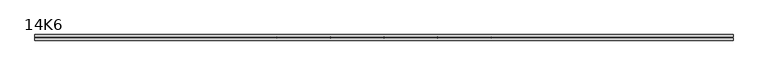
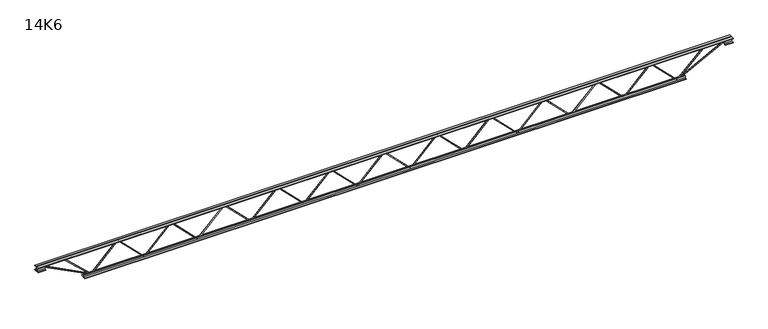
"""IFC4 building model written with IfcOpenShell, lengths in millimetres: beam geometry, 14K6."""

from ifc_helpers import new_model, si_unit, frame, origin, place, context, project, spatial, polyline, outline, extrude, source, transform, mapped, element, save


def beam_14k6_23fe204b(model_context):
    return source(origin(), model_context, "Body", "SweptSolid", [
        extrude(outline(polyline([(-166.9, 2442.0454545), (-176.4, 2442.0454545), (-176.4, 2447.1911602), (166.9, 2789.7047965), (166.9, 2792.1133853), (-176.4, 3134.6270217), (-176.4, 3139.7727273), (-166.9, 3139.7727273), (-166.9, 3138.5684329), (176.4, 2796.0547965), (176.4, 2785.7633853), (-166.9, 2443.2497489), (-166.9, 2442.0454545)])), frame((0.0, -4.75, 0.0), z_axis=(0.0, 1.0, 0.0), x_axis=(0.0, 0.0, 1.0)), (0.0, 0.0, 1.0), 9.5),
        extrude(outline(polyline([(-166.9, 1744.3181818), (-176.4, 1744.3181818), (-176.4, 1749.4638874), (166.9, 2091.9775238), (166.9, 2094.3861126), (-176.4, 2436.8997489), (-176.4, 2442.0454545), (-166.9, 2442.0454545), (-166.9, 2440.8411602), (176.4, 2098.3275238), (176.4, 2088.0361126), (-166.9, 1745.5224762), (-166.9, 1744.3181818)])), frame((0.0, -4.75, 0.0), z_axis=(0.0, 1.0, 0.0), x_axis=(0.0, 0.0, 1.0)), (0.0, 0.0, 1.0), 9.5),
        extrude(outline(polyline([(-166.9, 1046.5909091), (-176.4, 1046.5909091), (-176.4, 1051.7366147), (166.9, 1394.2502511), (166.9, 1396.6588398), (-176.4, 1739.1724762), (-176.4, 1744.3181818), (-166.9, 1744.3181818), (-166.9, 1743.1138874), (176.4, 1400.6002511), (176.4, 1390.3088398), (-166.9, 1047.7952035), (-166.9, 1046.5909091)])), frame((0.0, -4.75, 0.0), z_axis=(0.0, 1.0, 0.0), x_axis=(0.0, 0.0, 1.0)), (0.0, 0.0, 1.0), 9.5),
        extrude(outline(polyline([(-166.9, 348.8636364), (-176.4, 348.8636364), (-176.4, 354.009342), (166.9, 696.5229783), (166.9, 698.9315671), (-176.4, 1041.4452035), (-176.4, 1046.5909091), (-166.9, 1046.5909091), (-166.9, 1045.3866147), (176.4, 702.8729783), (176.4, 692.5815671), (-166.9, 350.0679307), (-166.9, 348.8636364)])), frame((0.0, -4.75, 0.0), z_axis=(0.0, 1.0, 0.0), x_axis=(0.0, 0.0, 1.0)), (0.0, 0.0, 1.0), 9.5),
        extrude(outline(polyline([(-166.9, -348.8636364), (-176.4, -348.8636364), (-176.4, -343.7179307), (166.9, -1.2042944), (166.9, 1.2042944), (-176.4, 343.7179307), (-176.4, 348.8636364), (-166.9, 348.8636364), (-166.9, 347.659342), (176.4, 5.1457056), (176.4, -5.1457056), (-166.9, -347.659342), (-166.9, -348.8636364)])), frame((0.0, -4.75, 0.0), z_axis=(0.0, 1.0, 0.0), x_axis=(0.0, 0.0, 1.0)), (0.0, 0.0, 1.0), 9.5),
        extrude(outline(polyline([(-166.9, -1046.5909091), (-176.4, -1046.5909091), (-176.4, -1041.4452035), (166.9, -698.9315671), (166.9, -696.5229783), (-176.4, -354.009342), (-176.4, -348.8636364), (-166.9, -348.8636364), (-166.9, -350.0679307), (176.4, -692.5815671), (176.4, -702.8729783), (-166.9, -1045.3866147), (-166.9, -1046.5909091)])), frame((0.0, -4.75, 0.0), z_axis=(0.0, 1.0, 0.0), x_axis=(0.0, 0.0, 1.0)), (0.0, 0.0, 1.0), 9.5),
        extrude(outline(polyline([(-166.9, -1744.3181818), (-176.4, -1744.3181818), (-176.4, -1739.1724762), (166.9, -1396.6588398), (166.9, -1394.2502511), (-176.4, -1051.7366147), (-176.4, -1046.5909091), (-166.9, -1046.5909091), (-166.9, -1047.7952035), (176.4, -1390.3088398), (176.4, -1400.6002511), (-166.9, -1743.1138874), (-166.9, -1744.3181818)])), frame((0.0, -4.75, 0.0), z_axis=(0.0, 1.0, 0.0), x_axis=(0.0, 0.0, 1.0)), (0.0, 0.0, 1.0), 9.5),
        extrude(outline(polyline([(-166.9, -2442.0454545), (-176.4, -2442.0454545), (-176.4, -2436.8997489), (166.9, -2094.3861126), (166.9, -2091.9775238), (-176.4, -1749.4638874), (-176.4, -1744.3181818), (-166.9, -1744.3181818), (-166.9, -1745.5224762), (176.4, -2088.0361126), (176.4, -2098.3275238), (-166.9, -2440.8411602), (-166.9, -2442.0454545)])), frame((0.0, -4.75, 0.0), z_axis=(0.0, 1.0, 0.0), x_axis=(0.0, 0.0, 1.0)), (0.0, 0.0, 1.0), 9.5),
        extrude(outline(polyline([(-166.9, -3139.7727273), (-176.4, -3139.7727273), (-176.4, -3134.6270217), (166.9, -2792.1133853), (166.9, -2789.7047965), (-176.4, -2447.1911602), (-176.4, -2442.0454545), (-166.9, -2442.0454545), (-166.9, -2443.2497489), (176.4, -2785.7633853), (176.4, -2796.0547965), (-166.9, -3138.5684329), (-166.9, -3139.7727273)])), frame((0.0, -4.75, 0.0), z_axis=(0.0, 1.0, 0.0), x_axis=(0.0, 0.0, 1.0)), (0.0, 0.0, 1.0), 9.5),
        extrude(outline(polyline([(-166.9, 3139.7727273), (-176.4, 3139.7727273), (-176.4, 3144.9184329), (166.9, 3487.4320693), (166.9, 3489.840658), (-176.4, 3832.3542944), (-176.4, 3837.5), (-166.9, 3837.5), (-166.9, 3836.2957056), (176.4, 3493.7820693), (176.4, 3483.490658), (-166.9, 3140.9770217), (-166.9, 3139.7727273)])), frame((0.0, -4.75, 0.0), z_axis=(0.0, 1.0, 0.0), x_axis=(0.0, 0.0, 1.0)), (0.0, 0.0, 1.0), 9.5),
        extrude(outline(polyline([(-166.9, -3837.5), (-176.4, -3837.5), (-176.4, -3832.3542944), (166.9, -3489.840658), (166.9, -3487.4320693), (-176.4, -3144.9184329), (-176.4, -3139.7727273), (-166.9, -3139.7727273), (-166.9, -3140.9770217), (176.4, -3483.490658), (176.4, -3493.7820693), (-166.9, -3836.2957056), (-166.9, -3837.5)])), frame((0.0, -4.75, 0.0), z_axis=(0.0, 1.0, 0.0), x_axis=(0.0, 0.0, 1.0)), (0.0, 0.0, 1.0), 9.5),
        extrude(outline(polyline([(4.75, 178.0), (36.75, 178.0), (36.75, 171.5), (11.25, 171.5), (11.25, 146.0), (4.75, 146.0), (4.75, 178.0)])), frame((-4549.5, 0.0, 0.0), z_axis=(1.0, 0.0, 0.0), x_axis=(0.0, 1.0, 0.0)), (0.0, 0.0, 1.0), 9099.0),
        extrude(outline(polyline([(-4.75, 178.0), (-4.75, 146.0), (-11.25, 146.0), (-11.25, 171.5), (-36.75, 171.5), (-36.75, 178.0), (-4.75, 178.0)])), frame((-4549.5, 0.0, 0.0), z_axis=(1.0, 0.0, 0.0), x_axis=(0.0, 1.0, 0.0)), (0.0, 0.0, 1.0), 9099.0),
        extrude(outline(polyline([(-4.75, 114.5), (-36.75, 114.5), (-36.75, 121.0), (-11.25, 121.0), (-11.25, 146.0), (-4.75, 146.0), (-4.75, 114.5)])), frame((-4549.5, 0.0, 0.0), z_axis=(1.0, 0.0, 0.0), x_axis=(0.0, 1.0, 0.0)), (0.0, 0.0, 1.0), 100.0),
        extrude(outline(polyline([(36.75, 114.5), (4.75, 114.5), (4.75, 146.0), (11.25, 146.0), (11.25, 121.0), (36.75, 121.0), (36.75, 114.5)])), frame((-4549.5, 0.0, 0.0), z_axis=(1.0, 0.0, 0.0), x_axis=(0.0, 1.0, 0.0)), (0.0, 0.0, 1.0), 100.0),
        extrude(outline(polyline([(4.75, 114.5), (4.75, 146.0), (11.25, 146.0), (11.25, 121.0), (36.75, 121.0), (36.75, 114.5), (4.75, 114.5)])), frame((4449.5, 0.0, 0.0), z_axis=(1.0, 0.0, 0.0), x_axis=(0.0, 1.0, 0.0)), (0.0, 0.0, 1.0), 100.0),
        extrude(outline(polyline([(-4.75, 114.5), (-36.75, 114.5), (-36.75, 121.0), (-11.25, 121.0), (-11.25, 146.0), (-4.75, 146.0), (-4.75, 114.5)])), frame((4449.5, 0.0, 0.0), z_axis=(1.0, 0.0, 0.0), x_axis=(0.0, 1.0, 0.0)), (0.0, 0.0, 1.0), 100.0),
        extrude(outline(polyline([(4.75, -178.0), (4.75, -146.0), (11.25, -146.0), (11.25, -171.5), (36.75, -171.5), (36.75, -178.0), (4.75, -178.0)])), frame((-3937.5, 0.0, 0.0), z_axis=(1.0, 0.0, 0.0), x_axis=(0.0, 1.0, 0.0)), (0.0, 0.0, 1.0), 7875.0),
        extrude(outline(polyline([(-4.75, -178.0), (-36.75, -178.0), (-36.75, -171.5), (-11.25, -171.5), (-11.25, -146.0), (-4.75, -146.0), (-4.75, -178.0)])), frame((-3937.5, 0.0, 0.0), z_axis=(1.0, 0.0, 0.0), x_axis=(0.0, 1.0, 0.0)), (0.0, 0.0, 1.0), 7875.0),
        extrude(outline(polyline([(-175.8659422, -3839.6882256), (-167.4340578, -3835.3117744), (150.75, -4448.3407162), (150.75, -4549.5), (141.25, -4549.5), (141.25, -4450.6592838), (-175.8659422, -3839.6882256)])), frame((0.0, -4.75, 0.0), z_axis=(0.0, 1.0, 0.0), x_axis=(0.0, 0.0, 1.0)), (0.0, 0.0, 1.0), 9.5),
        extrude(outline(polyline([(163.7, -4206.3207792), (154.2, -4206.3207792), (154.2, -4195.4857124), (-175.1311765, -3840.731704), (-168.1688235, -3834.268296), (163.7, -4191.7558461), (163.7, -4206.3207792)])), frame((0.0, -4.75, 0.0), z_axis=(0.0, 1.0, 0.0), x_axis=(0.0, 0.0, 1.0)), (0.0, 0.0, 1.0), 9.5),
        extrude(outline(polyline([(0.0, -9.5), (0.0, 0.0), (689.5255778, 0.0), (689.5255778, -9.5), (0.0, -9.5)])), frame((4451.6882256, -4.75, 141.7840578), z_axis=(-0.4606790671834062, 0.0, 0.8875667845627319), x_axis=(-0.8875667845627319, 0.0, -0.4606790671834062)), (0.0, 0.0, 1.0), 9.5),
        extrude(outline(polyline([(0.0, -9.5), (0.0, 0.0), (499.8983939, 0.0), (499.8983939, -9.5), (0.0, -9.5)])), frame((4204.139935, -4.75, 168.1972081), z_axis=(-0.6867395538148984, 0.0, 0.7269035597836307), x_axis=(-0.7269035597836307, 0.0, -0.6867395538148984)), (0.0, 0.0, 1.0), 9.5),
    ])


if __name__ == "__main__":
    model = new_model("IFC4")
    model_context = context("Model", 3, world=origin())
    ifc_project = project(units=[si_unit("LENGTHUNIT", "METRE", prefix="MILLI")], contexts=[model_context])
    site = spatial("IfcSite", under=ifc_project)
    building = spatial("IfcBuilding", under=site)
    placement = place(None, origin())
    beam_14k6_shape = beam_14k6_23fe204b(model_context)
    element("IfcBeam", 1, ObjectType="14K6", at=placement, inside=building, context=model_context, shape_type="MappedRepresentation", body=[
        mapped(beam_14k6_shape, transform((0.0, 0.0, 0.0), x_axis=(1.0, 0.0, 0.0), y_axis=(0.0, 1.0, 0.0), z_axis=(0.0, 0.0, 1.0))),
    ])
    save(model, "model.ifc")
